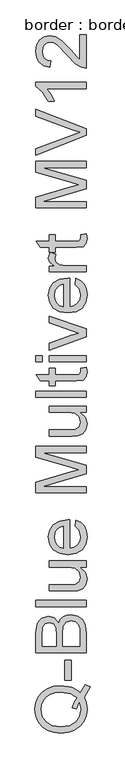
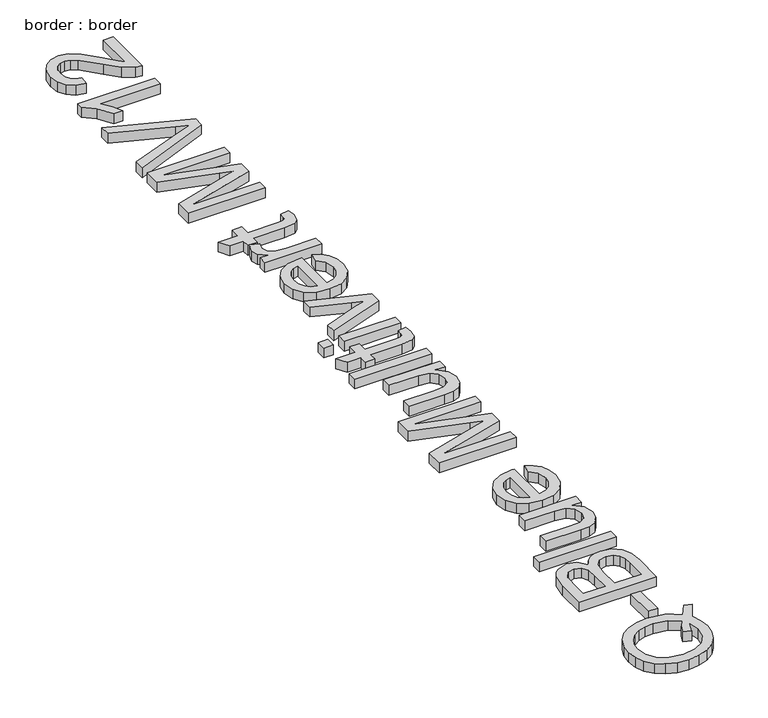
"""IFC4 building model written with IfcOpenShell, lengths in millimetres: proxy geometry, border : border."""

from ifc_helpers import new_model, si_unit, origin, origin_with_axes, place, context, project, spatial, polyline, outline, extrude, source, transform, mapped, element, save


def border_border_fcf78836(model_context):
    return source(origin(), model_context, "Body", "SweptSolid", [
        extrude(outline(polyline([(-517.7043269, 597.8725962), (-502.3076923, 620.7692308), (-488.7860577, 615.7932692), (-506.0576923, 585.3966346), (-499.7836538, 568.3143029), (-497.6923077, 549.5192308), (-500.1036659, 530.6340144), (-507.3377404, 513.5697115), (-518.9393029, 499.2773437), (-534.453125, 488.7079327), (-553.0273438, 482.1769832), (-573.8100962, 480.0), (-594.6108774, 482.172476), (-613.4555288, 488.6899038), (-629.1902043, 499.21875), (-640.6610577, 513.4254808), (-647.6652644, 530.4266827), (-650.0, 549.3389423), (-647.6111779, 568.3999399), (-640.4447115, 585.4867788), (-628.9783654, 599.6709736), (-613.6899038, 610.0240385), (-595.390625, 616.3521635), (-574.8918269, 618.4615385), (-542.6201923, 613.3413462), (-529.233774, 606.9140625), (-517.7043269, 597.8725962)]), holes=[polyline([(-542.2596154, 554.6033654), (-536.391226, 570.1262019), (-528.2331731, 582.65625), (-547.2716346, 595.6640625), (-573.9543269, 600.0), (-590.2028245, 598.4675481), (-604.2608173, 593.8701923), (-615.7722356, 586.320613), (-624.3810096, 575.9314904), (-629.7490986, 563.4059495), (-631.5384615, 549.4471154), (-627.9191707, 529.3269231), (-617.0612981, 512.9567308), (-599.0189303, 502.0853365), (-573.8461538, 498.4615385), (-549.2142428, 502.0447716), (-531.0637019, 512.7944712), (-519.8813101, 529.1150841), (-516.1538462, 549.4110577), (-519.9399038, 569.2788462), (-528.125, 549.84375), (-542.2596154, 554.6033654)])]), origin_with_axes(), (0.0, 0.0, 1.0), 20.0),
        extrude(outline(polyline([(-543.8461538, 634.6153846), (-562.3076923, 634.6153846), (-562.3076923, 692.3076923), (-543.8461538, 692.3076923), (-543.8461538, 634.6153846)])), origin_with_axes(), (0.0, 0.0, 1.0), 20.0),
        extrude(outline(polyline([(-500.0, 715.3846154), (-647.6923077, 715.3846154), (-647.6923077, 771.7427885), (-643.3473558, 799.3449519), (-637.8350361, 808.6207933), (-629.9879808, 815.6430288), (-611.09375, 821.5384615), (-593.8401442, 816.5805288), (-580.7692308, 801.5985577), (-575.3064904, 812.0597957), (-566.9951923, 819.7896635), (-556.3852163, 824.5628005), (-544.0264423, 826.1538462), (-524.1766827, 821.8088942), (-510.0420673, 811.0456731), (-502.5420673, 794.9819712), (-500.0, 771.3100962), (-500.0, 715.3846154)]), holes=[polyline([(-587.6923077, 733.8461538), (-587.6923077, 767.5600962), (-589.2788462, 787.2475962), (-596.1117788, 799.0925481), (-608.1370192, 803.0769231), (-620.1802885, 799.3629808), (-627.3016827, 788.7259615), (-629.2307692, 765.0), (-629.2307692, 733.8461538), (-587.6923077, 733.8461538)]), polyline([(-518.4615385, 733.8461538), (-518.4615385, 771.7067308), (-519.1826923, 785.4086538), (-523.203125, 797.0012019), (-531.40625, 804.6814904), (-543.8461538, 807.6923077), (-558.1971154, 804.1586538), (-566.7608173, 792.7103365), (-569.2307692, 769.9038462), (-569.2307692, 733.8461538), (-518.4615385, 733.8461538)])]), origin_with_axes(), (0.0, 0.0, 1.0), 20.0),
        extrude(outline(polyline([(-500.0, 849.2307692), (-647.6923077, 849.2307692), (-647.6923077, 867.6923077), (-500.0, 867.6923077), (-500.0, 849.2307692)])), origin_with_axes(), (0.0, 0.0, 1.0), 20.0),
        extrude(outline(polyline([(-500.0, 964.6153846), (-518.6418269, 964.6153846), (-502.9296875, 950.15625), (-497.6923077, 931.2980769), (-501.3701923, 913.9362981), (-510.6009615, 901.9651442), (-524.1947115, 896.4663462), (-541.3581731, 895.3846154), (-608.4615385, 895.3846154), (-608.4615385, 913.8461538), (-550.0480769, 913.8461538), (-531.2259615, 914.9639423), (-520.1742788, 922.265625), (-516.1538462, 936.0216346), (-520.2644231, 951.4362981), (-531.4603365, 961.6225962), (-552.03125, 964.6153846), (-608.4615385, 964.6153846), (-608.4615385, 983.0769231), (-500.0, 983.0769231), (-500.0, 964.6153846)])), origin_with_axes(), (0.0, 0.0, 1.0), 20.0),
        extrude(outline(polyline([(-532.3076923, 1084.3990385), (-530.0, 1102.5), (-516.3611779, 1095.9780649), (-506.1658654, 1085.5709135), (-499.8106971, 1071.5129207), (-497.6923077, 1054.0384615), (-501.3476563, 1032.3768029), (-512.3137019, 1015.7091346), (-529.8783053, 1005.0811298), (-553.3293269, 1001.5384615), (-577.5691106, 1005.1171875), (-595.6971154, 1015.8533654), (-607.0012019, 1032.2956731), (-610.7692308, 1052.9927885), (-607.0102163, 1073.0453726), (-595.7331731, 1089.0685096), (-577.641226, 1099.5748197), (-553.4375, 1103.0769231), (-548.4615385, 1102.96875), (-548.4615385, 1020.0), (-534.6424279, 1023.195613), (-524.4831731, 1030.6189904), (-518.2361779, 1041.3326322), (-516.1538462, 1054.3990385), (-520.0120192, 1072.5), (-532.3076923, 1084.3990385)]), holes=[polyline([(-566.9230769, 1020.0), (-566.9230769, 1084.6153846), (-576.6766827, 1082.1183894), (-583.6538462, 1077.2235577), (-590.1442308, 1066.4603365), (-592.3076923, 1052.9206731), (-590.5814303, 1040.476262), (-585.4026442, 1030.1862981), (-577.3302284, 1023.0333534), (-566.9230769, 1020.0)])]), origin_with_axes(), (0.0, 0.0, 1.0), 20.0),
        extrude(outline(polyline([(-500.0, 1181.5384615), (-647.6923077, 1181.5384615), (-647.6923077, 1213.3052885), (-543.59375, 1243.5216346), (-521.8509615, 1249.6153846), (-545.3966346, 1256.2139423), (-647.6923077, 1285.9254808), (-647.6923077, 1317.6923077), (-500.0, 1317.6923077), (-500.0, 1299.2307692), (-629.2307692, 1299.2307692), (-500.0, 1262.1274038), (-500.0, 1237.1033654), (-629.2307692, 1200.0), (-500.0, 1200.0), (-500.0, 1181.5384615)])), origin_with_axes(), (0.0, 0.0, 1.0), 20.0),
        extrude(outline(polyline([(-500.0, 1416.9230769), (-518.6418269, 1416.9230769), (-502.9296875, 1402.4639423), (-497.6923077, 1383.6057692), (-501.3701923, 1366.2439904), (-510.6009615, 1354.2728365), (-524.1947115, 1348.7740385), (-541.3581731, 1347.6923077), (-608.4615385, 1347.6923077), (-608.4615385, 1366.1538462), (-550.0480769, 1366.1538462), (-531.2259615, 1367.2716346), (-520.1742788, 1374.5733173), (-516.1538462, 1388.3293269), (-520.2644231, 1403.7439904), (-531.4603365, 1413.9302885), (-552.03125, 1416.9230769), (-608.4615385, 1416.9230769), (-608.4615385, 1435.3846154), (-500.0, 1435.3846154), (-500.0, 1416.9230769)])), origin_with_axes(), (0.0, 0.0, 1.0), 20.0),
        extrude(outline(polyline([(-500.0, 1460.7692308), (-647.6923077, 1460.7692308), (-647.6923077, 1479.2307692), (-500.0, 1479.2307692), (-500.0, 1460.7692308)])), origin_with_axes(), (0.0, 0.0, 1.0), 20.0),
        extrude(outline(polyline([(-515.3966346, 1546.1538462), (-499.4591346, 1548.4615385), (-497.6923077, 1534.6514423), (-500.7572115, 1519.1826923), (-508.7980769, 1511.4663462), (-529.7475962, 1509.2307692), (-590.0, 1509.2307692), (-590.0, 1495.3846154), (-608.4615385, 1495.3846154), (-608.4615385, 1509.2307692), (-634.8197115, 1509.2307692), (-645.6730769, 1527.6923077), (-608.4615385, 1527.6923077), (-608.4615385, 1546.1538462), (-590.0, 1546.1538462), (-590.0, 1527.6923077), (-530.2884615, 1527.6923077), (-520.7692308, 1528.6658654), (-517.3978365, 1531.8209135), (-516.1538462, 1538.1129808), (-515.3966346, 1546.1538462)])), origin_with_axes(), (0.0, 0.0, 1.0), 20.0),
        extrude(outline(polyline([(-500.0, 1564.6153846), (-608.4615385, 1564.6153846), (-608.4615385, 1583.0769231), (-500.0, 1583.0769231), (-500.0, 1564.6153846)])), origin_with_axes(), (0.0, 0.0, 1.0), 20.0),
        extrude(outline(polyline([(-629.2307692, 1564.6153846), (-647.6923077, 1564.6153846), (-647.6923077, 1583.0769231), (-629.2307692, 1583.0769231), (-629.2307692, 1564.6153846)])), origin_with_axes(), (0.0, 0.0, 1.0), 20.0),
        extrude(outline(polyline([(-500.0, 1637.3798077), (-608.4615385, 1599.2307692), (-608.4615385, 1618.7740385), (-543.4855769, 1641.8870192), (-521.6346154, 1648.8461538), (-542.2596154, 1655.6610577), (-608.4615385, 1678.9182692), (-608.4615385, 1698.4615385), (-500.0, 1660.78125), (-500.0, 1637.3798077)])), origin_with_axes(), (0.0, 0.0, 1.0), 20.0),
        extrude(outline(polyline([(-532.3076923, 1790.5528846), (-530.0, 1808.6538462), (-516.3611779, 1802.1319111), (-506.1658654, 1791.7247596), (-499.8106971, 1777.6667668), (-497.6923077, 1760.1923077), (-501.3476563, 1738.530649), (-512.3137019, 1721.8629808), (-529.8783053, 1711.234976), (-553.3293269, 1707.6923077), (-577.5691106, 1711.2710337), (-595.6971154, 1722.0072115), (-607.0012019, 1738.4495192), (-610.7692308, 1759.1466346), (-607.0102163, 1779.1992187), (-595.7331731, 1795.2223558), (-577.641226, 1805.7286659), (-553.4375, 1809.2307692), (-548.4615385, 1809.1225962), (-548.4615385, 1726.1538462), (-534.6424279, 1729.3494591), (-524.4831731, 1736.7728365), (-518.2361779, 1747.4864784), (-516.1538462, 1760.5528846), (-520.0120192, 1778.6538462), (-532.3076923, 1790.5528846)]), holes=[polyline([(-566.9230769, 1726.1538462), (-566.9230769, 1790.7692308), (-576.6766827, 1788.2722356), (-583.6538462, 1783.3774038), (-590.1442308, 1772.6141827), (-592.3076923, 1759.0745192), (-590.5814303, 1746.6301082), (-585.4026442, 1736.3401442), (-577.3302284, 1729.1871995), (-566.9230769, 1726.1538462)])]), origin_with_axes(), (0.0, 0.0, 1.0), 20.0),
        extrude(outline(polyline([(-500.0, 1827.6923077), (-608.4615385, 1827.6923077), (-608.4615385, 1843.8461538), (-592.4158654, 1843.8461538), (-607.1995192, 1855.3125), (-610.7692308, 1866.8509615), (-605.0721154, 1885.3846154), (-588.5216346, 1879.21875), (-592.3076923, 1866.2379808), (-588.6658654, 1855.7992788), (-578.5697115, 1849.1466346), (-557.0072115, 1846.1538462), (-500.0, 1846.1538462), (-500.0, 1827.6923077)])), origin_with_axes(), (0.0, 0.0, 1.0), 20.0),
        extrude(outline(polyline([(-515.3966346, 1936.1538462), (-499.4591346, 1938.4615385), (-497.6923077, 1924.6514423), (-500.7572115, 1909.1826923), (-508.7980769, 1901.4663462), (-529.7475962, 1899.2307692), (-590.0, 1899.2307692), (-590.0, 1885.3846154), (-608.4615385, 1885.3846154), (-608.4615385, 1899.2307692), (-634.8197115, 1899.2307692), (-645.6730769, 1917.6923077), (-608.4615385, 1917.6923077), (-608.4615385, 1936.1538462), (-590.0, 1936.1538462), (-590.0, 1917.6923077), (-530.2884615, 1917.6923077), (-520.7692308, 1918.6658654), (-517.3978365, 1921.8209135), (-516.1538462, 1928.1129808), (-515.3966346, 1936.1538462)])), origin_with_axes(), (0.0, 0.0, 1.0), 20.0),
        extrude(outline(polyline([(-500.0, 2014.6153846), (-647.6923077, 2014.6153846), (-647.6923077, 2046.3822115), (-543.59375, 2076.5985577), (-521.8509615, 2082.6923077), (-545.3966346, 2089.2908654), (-647.6923077, 2119.0024038), (-647.6923077, 2150.7692308), (-500.0, 2150.7692308), (-500.0, 2132.3076923), (-629.2307692, 2132.3076923), (-500.0, 2095.2043269), (-500.0, 2070.1802885), (-629.2307692, 2033.0769231), (-500.0, 2033.0769231), (-500.0, 2014.6153846)])), origin_with_axes(), (0.0, 0.0, 1.0), 20.0),
        extrude(outline(polyline([(-500.0, 2226.7067308), (-647.6923077, 2167.9326923), (-647.6923077, 2187.6923077), (-541.2860577, 2227.03125), (-517.3076923, 2235.0), (-541.2860577, 2242.8605769), (-647.6923077, 2282.3076923), (-647.6923077, 2302.0673077), (-500.0, 2245.78125), (-500.0, 2226.7067308)])), origin_with_axes(), (0.0, 0.0, 1.0), 20.0),
        extrude(outline(polyline([(-500.0, 2381.5384615), (-500.0, 2363.0769231), (-615.0961538, 2363.0769231), (-602.6382212, 2345.5889423), (-593.3173077, 2326.1538462), (-610.7692308, 2326.1538462), (-628.0408654, 2353.2151442), (-647.6923077, 2369.6394231), (-647.6923077, 2381.5384615), (-500.0, 2381.5384615)])), origin_with_axes(), (0.0, 0.0, 1.0), 20.0),
        extrude(outline(polyline([(-518.4615385, 2520.0), (-500.0, 2520.0), (-500.0, 2423.0769231), (-512.7283654, 2425.0600962), (-532.3257212, 2436.2740385), (-553.7259615, 2459.3870192), (-584.4831731, 2491.2620192), (-595.0841346, 2497.2385817), (-605.3966346, 2499.2307692), (-614.6409255, 2497.351262), (-622.3257212, 2491.7127404), (-627.5045072, 2483.0453726), (-629.2307692, 2472.0793269), (-627.5450721, 2460.5634014), (-622.4879808, 2451.6165865), (-614.4561298, 2445.8428486), (-603.8461538, 2443.8461538), (-606.1538462, 2425.3846154), (-624.0114183, 2429.8602764), (-637.0552885, 2439.5372596), (-645.0330529, 2453.9107572), (-647.6923077, 2472.4759615), (-644.7355769, 2491.1763822), (-635.8653846, 2505.5228365), (-622.6141827, 2514.6499399), (-606.5144231, 2517.6923077), (-589.0084135, 2514.4110577), (-570.9074519, 2503.5036058), (-545.6129808, 2477.0552885), (-527.8545673, 2455.8173077), (-518.4615385, 2447.4879808), (-518.4615385, 2520.0)])), origin_with_axes(), (0.0, 0.0, 1.0), 20.0),
    ])


if __name__ == "__main__":
    model = new_model("IFC4")
    model_context = context("Model", 3, world=origin())
    ifc_project = project(units=[si_unit("LENGTHUNIT", "METRE", prefix="MILLI")], contexts=[model_context])
    site = spatial("IfcSite", under=ifc_project)
    building = spatial("IfcBuilding", under=site)
    placement = place(None, origin())
    border_border_shape = border_border_fcf78836(model_context)
    element("IfcBuildingElementProxy", 1, Name="border : border", ObjectType="border : border", at=placement, inside=building, context=model_context, shape_type="MappedRepresentation", body=[
        mapped(border_border_shape, transform((0.0, 0.0, 0.0), x_axis=(1.0, 0.0, 0.0), y_axis=(0.0, 1.0, 0.0), z_axis=(0.0, 0.0, 1.0))),
    ])
    save(model, "model.ifc")
